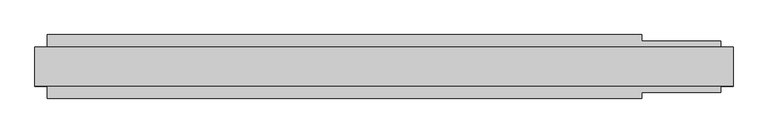
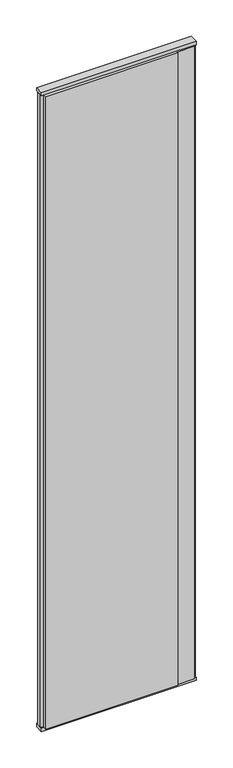
"""IFC4 building model written with IfcOpenShell, lengths in millimetres: plate geometry."""

from ifc_helpers import new_model, si_unit, frame, origin, origin_with_axes, place, context, project, spatial, polyline, outline, extrude, source, transform, mapped, element, save


def plate_4ac6fb4e(model_context):
    return source(origin(), model_context, "Body", "SweptSolid", [
        extrude(outline(polyline([(422.9166667, 52.5), (422.9166667, 42.5), (552.9166667, 42.5), (552.9166667, 22.9993165), (572.9166667, 17.6401049), (572.9166667, -17.6401049), (552.9166667, -22.9993165), (552.9166667, -42.5), (422.9166667, -42.5), (422.9166667, -52.5), (-552.9166667, -52.5), (-552.9166667, -22.9993165), (-572.9166667, -17.6401049), (-572.9166667, 17.6401049), (-552.9166667, 22.9993165), (-552.9166667, 52.5), (422.9166667, 52.5)])), frame((0.0, 0.0, 25.0), z_axis=(0.0, 0.0, 1.0), x_axis=(1.0, 0.0, 0.0)), (0.0, 0.0, 1.0), 4950.0),
        extrude(outline(polyline([(572.9166667, 32.0), (572.9166667, -32.0), (-572.9166667, -32.0), (-572.9166667, 32.0), (572.9166667, 32.0)])), origin_with_axes(), (0.0, 0.0, 1.0), 25.0),
        extrude(outline(polyline([(572.9166667, 32.0), (572.9166667, -32.0), (-572.9166667, -32.0), (-572.9166667, 32.0), (572.9166667, 32.0)])), frame((0.0, 0.0, 4975.0), z_axis=(0.0, 0.0, 1.0), x_axis=(1.0, 0.0, 0.0)), (0.0, 0.0, 1.0), 25.0),
    ])


if __name__ == "__main__":
    model = new_model("IFC4")
    model_context = context("Model", 3, world=origin())
    ifc_project = project(units=[si_unit("LENGTHUNIT", "METRE", prefix="MILLI")], contexts=[model_context])
    site = spatial("IfcSite", under=ifc_project)
    building = spatial("IfcBuilding", under=site)
    placement = place(None, origin())
    plate_shape = plate_4ac6fb4e(model_context)
    element("IfcPlate", 1, at=placement, inside=building, context=model_context, shape_type="MappedRepresentation", body=[
        mapped(plate_shape, transform((0.0, 0.0, 0.0), x_axis=(1.0, 0.0, 0.0), y_axis=(0.0, 1.0, 0.0), z_axis=(0.0, 0.0, 1.0))),
    ])
    save(model, "model.ifc")
